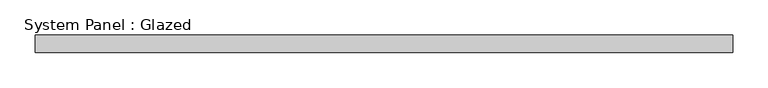
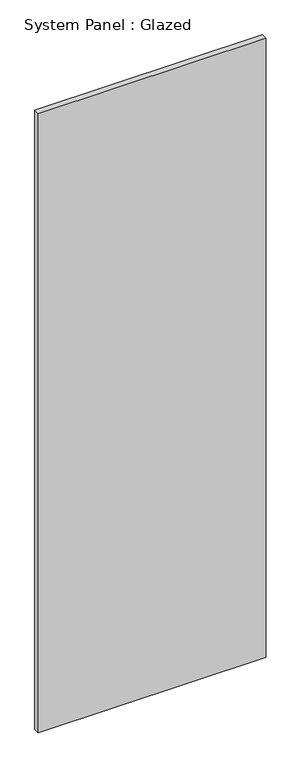
"""IFC4 building model written with IfcOpenShell, lengths in millimetres: plate geometry, System Panel : Glazed."""

from ifc_helpers import new_model, si_unit, origin, origin_with_axes, place, context, project, spatial, polyline, outline, extrude, source, transform, mapped, element, save


def system_panel_glazed_4f6d2238(model_context):
    return source(origin(), model_context, "Body", "SweptSolid", [
        extrude(outline(polyline([(496.2499999, 24.5), (-496.2499999, 24.5), (-496.2499999, 49.5), (496.2499999, 49.5), (496.2499999, 24.5)])), origin_with_axes(), (0.0, 0.0, 1.0), 2850.0),
    ])


if __name__ == "__main__":
    model = new_model("IFC4")
    model_context = context("Model", 3, world=origin())
    ifc_project = project(units=[si_unit("LENGTHUNIT", "METRE", prefix="MILLI")], contexts=[model_context])
    site = spatial("IfcSite", under=ifc_project)
    building = spatial("IfcBuilding", under=site)
    placement = place(None, origin())
    system_panel_glazed_shape = system_panel_glazed_4f6d2238(model_context)
    element("IfcPlate", 1, ObjectType="System Panel : Glazed", at=placement, inside=building, context=model_context, shape_type="MappedRepresentation", body=[
        mapped(system_panel_glazed_shape, transform((0.0, 0.0, 0.0), x_axis=(1.0, 0.0, 0.0), y_axis=(0.0, 1.0, 0.0), z_axis=(0.0, 0.0, 1.0))),
    ])
    save(model, "model.ifc")
